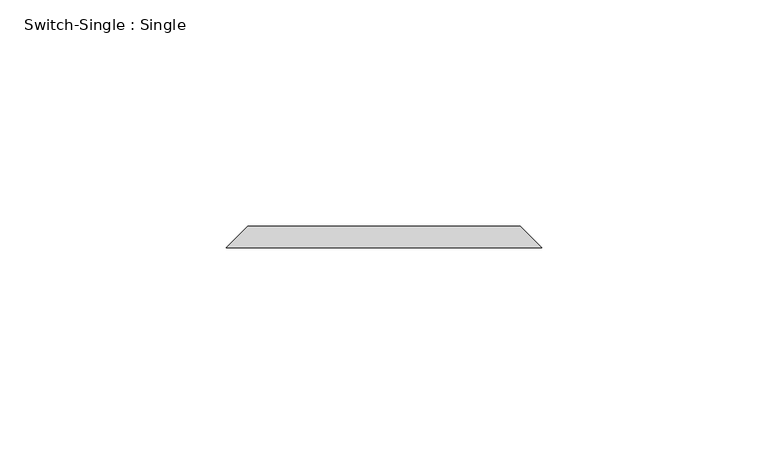
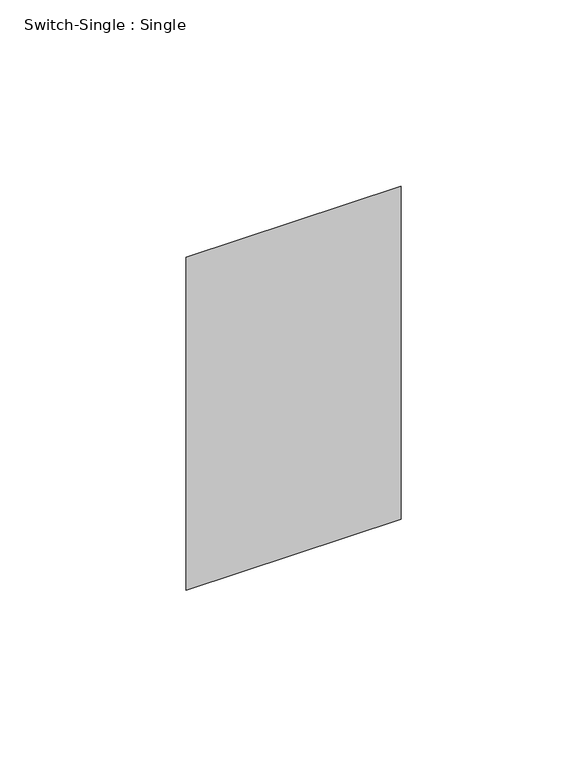
"""IFC4 building model written with IfcOpenShell, lengths in millimetres: proxy geometry, Switch-Single : Single."""

from ifc_helpers import new_model, si_unit, origin, place, context, project, spatial, faceted_brep, source, transform, mapped, element, save


def switch_single_single_3dc1783d(model_context):
    return source(origin(), model_context, "Body", "Brep", [
        faceted_brep([(-30.1625, 122.2375, 1271.5875), (30.1625, 122.2375, 1271.5875), (30.1625, 122.2375, 1166.8125), (-30.1625, 122.2375, 1166.8125), (-34.925, 117.475, 1276.35), (-34.925, 117.475, 1162.05), (34.925, 117.475, 1162.05), (34.925, 117.475, 1276.35)], [[[0, 1, 2, 3]], [[4, 5, 6, 7]], [[4, 7, 1, 0]], [[7, 6, 2, 1]], [[6, 5, 3, 2]], [[5, 4, 0, 3]]]),
    ])


if __name__ == "__main__":
    model = new_model("IFC4")
    model_context = context("Model", 3, world=origin())
    ifc_project = project(units=[si_unit("LENGTHUNIT", "METRE", prefix="MILLI")], contexts=[model_context])
    site = spatial("IfcSite", under=ifc_project)
    building = spatial("IfcBuilding", under=site)
    placement = place(None, origin())
    switch_single_single_shape = switch_single_single_3dc1783d(model_context)
    element("IfcBuildingElementProxy", 1, Name="Switch-Single : Single", ObjectType="Switch-Single : Single", at=placement, inside=building, context=model_context, shape_type="MappedRepresentation", body=[
        mapped(switch_single_single_shape, transform((0.0, 0.0, 0.0), x_axis=(1.0, 0.0, 0.0), y_axis=(0.0, 1.0, 0.0), z_axis=(0.0, 0.0, 1.0))),
    ])
    save(model, "model.ifc")
